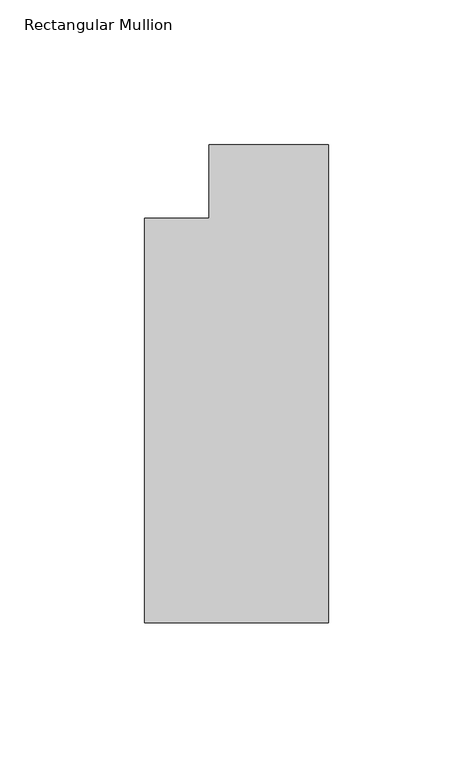
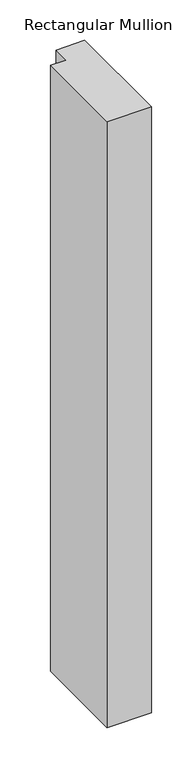
"""IFC4 building model written with IfcOpenShell, lengths in millimetres: member geometry, Rectangular Mullion."""

from ifc_helpers import new_model, si_unit, frame, origin, place, context, project, spatial, polyline, outline, extrude, source, transform, mapped, element, save


def rectangular_mullion_0c3233a3(model_context):
    return source(origin(), model_context, "Body", "SweptSolid", [
        extrude(outline(polyline([(-19.2668749, -190.5277835), (-82.7668749, -190.5277835), (-82.7668749, -50.8277885), (-60.5419882, -50.8277885), (-60.5419882, -25.4277885), (-19.2668749, -25.4277885), (-19.2668749, -190.5277835)])), frame((0.0, 0.0, -914.4), z_axis=(0.0, 0.0, 1.0), x_axis=(1.0, 0.0, 0.0)), (0.0, 0.0, 1.0), 914.4),
    ])


if __name__ == "__main__":
    model = new_model("IFC4")
    model_context = context("Model", 3, world=origin())
    ifc_project = project(units=[si_unit("LENGTHUNIT", "METRE", prefix="MILLI")], contexts=[model_context])
    site = spatial("IfcSite", under=ifc_project)
    building = spatial("IfcBuilding", under=site)
    placement = place(None, origin())
    rectangular_mullion_shape = rectangular_mullion_0c3233a3(model_context)
    element("IfcMember", 1, ObjectType="Rectangular Mullion", at=placement, inside=building, context=model_context, shape_type="MappedRepresentation", body=[
        mapped(rectangular_mullion_shape, transform((0.0, 0.0, 0.0), x_axis=(1.0, 0.0, 0.0), y_axis=(0.0, 1.0, 0.0), z_axis=(0.0, 0.0, 1.0))),
    ])
    save(model, "model.ifc")
